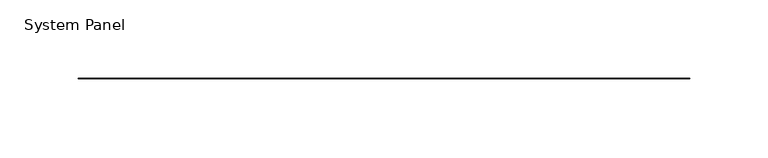
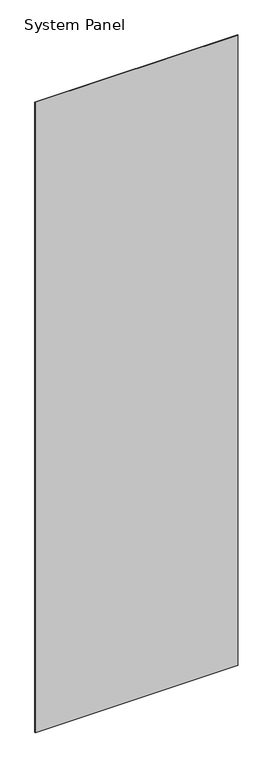
"""IFC4 building model written with IfcOpenShell, lengths in millimetres: plate geometry, System Panel."""

from ifc_helpers import new_model, si_unit, origin, origin_with_axes, place, context, project, spatial, polyline, outline, extrude, source, transform, mapped, element, save


def system_panel_9b4cd433(model_context):
    return source(origin(), model_context, "Body", "SweptSolid", [
        extrude(outline(polyline([(195.5165, -0.2480469), (-195.5165, -0.2480469), (-195.5165, 0.2480469), (195.5165, 0.2480469), (195.5165, -0.2480469)])), origin_with_axes(), (0.0, 0.0, 1.0), 1285.875),
    ])


if __name__ == "__main__":
    model = new_model("IFC4")
    model_context = context("Model", 3, world=origin())
    ifc_project = project(units=[si_unit("LENGTHUNIT", "METRE", prefix="MILLI")], contexts=[model_context])
    site = spatial("IfcSite", under=ifc_project)
    building = spatial("IfcBuilding", under=site)
    placement = place(None, origin())
    system_panel_shape = system_panel_9b4cd433(model_context)
    element("IfcPlate", 1, ObjectType="System Panel", at=placement, inside=building, context=model_context, shape_type="MappedRepresentation", body=[
        mapped(system_panel_shape, transform((0.0, 0.0, 0.0), x_axis=(1.0, 0.0, 0.0), y_axis=(0.0, 1.0, 0.0), z_axis=(0.0, 0.0, 1.0))),
    ])
    save(model, "model.ifc")
